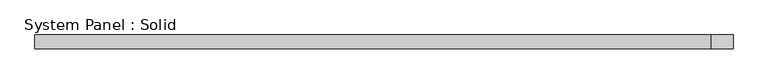
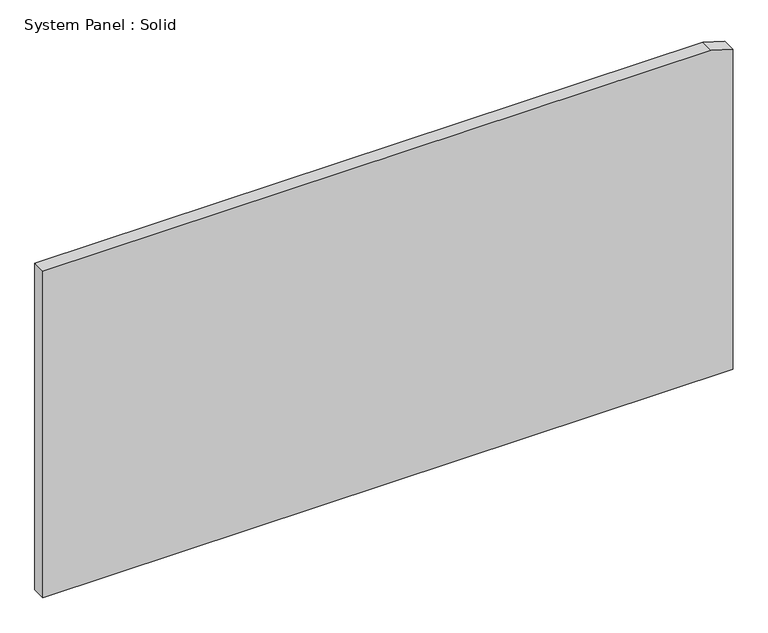
"""IFC4 building model written with IfcOpenShell, lengths in millimetres: plate geometry, System Panel : Solid."""

from ifc_helpers import new_model, si_unit, frame, origin, place, context, project, spatial, polyline, outline, extrude, source, transform, mapped, element, save


def system_panel_solid_bf23e4d3(model_context):
    return source(origin(), model_context, "Body", "SweptSolid", [
        extrude(outline(polyline([(0.0, -1500.0), (0.0, 1500.0), (1471.4502972, 1500.0), (1500.0, 1405.589214), (1500.0, -1500.0), (0.0, -1500.0)])), frame((0.0, -10.5, 0.0), z_axis=(0.0, 1.0, 0.0), x_axis=(0.0, 0.0, 1.0)), (0.0, 0.0, 1.0), 60.0),
    ])


if __name__ == "__main__":
    model = new_model("IFC4")
    model_context = context("Model", 3, world=origin())
    ifc_project = project(units=[si_unit("LENGTHUNIT", "METRE", prefix="MILLI")], contexts=[model_context])
    site = spatial("IfcSite", under=ifc_project)
    building = spatial("IfcBuilding", under=site)
    placement = place(None, origin())
    system_panel_solid_shape = system_panel_solid_bf23e4d3(model_context)
    element("IfcPlate", 1, ObjectType="System Panel : Solid", at=placement, inside=building, context=model_context, shape_type="MappedRepresentation", body=[
        mapped(system_panel_solid_shape, transform((0.0, 0.0, 0.0), x_axis=(1.0, 0.0, 0.0), y_axis=(0.0, 1.0, 0.0), z_axis=(0.0, 0.0, 1.0))),
    ])
    save(model, "model.ifc")
